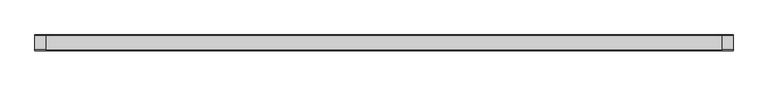
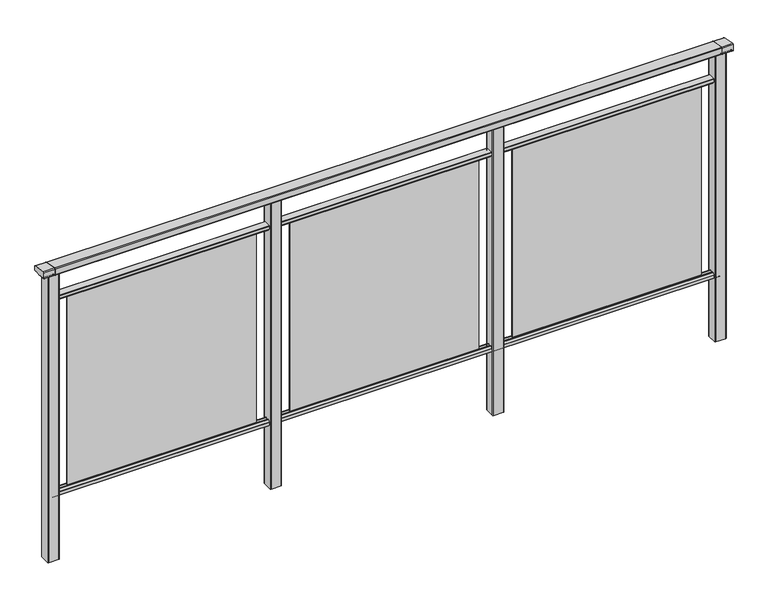
"""IFC4 building model written with IfcOpenShell, lengths in millimetres: railing geometry."""

from ifc_helpers import new_model, si_unit, point, frame, frame_2d, origin, place, context, project, spatial, polyline, circle_curve, trimmed, segment, composite_curve, outline, extrude, source, transform, mapped, element, save
from ifc_brep_helpers import plane_surface, cylinder_surface, advanced_brep


def railing_62a5ca87(model_context):
    return source(origin(), model_context, "Body", "SolidModel", [
        extrude(outline(composite_curve([segment(polyline([(8429.3630551, 1199.9544233), (8493.3630551, 1188.6694965)]), True, "CONTINUOUS"), segment(trimmed(circle_curve(frame_2d((8492.8421106, 1185.7150732)), 3.0), [point((8493.3630551, 1188.6694965))], [point((8495.8421106, 1185.7150732))], False, "CARTESIAN"), True, "CONTINUOUS"), segment(polyline([(8495.8421106, 1185.7150732), (8495.8421106, 1169.2)]), True, "CONTINUOUS"), segment(trimmed(circle_curve(frame_2d((8492.8421106, 1169.2)), 3.0), [point((8495.8421106, 1169.2))], [point((8492.8421106, 1166.2))], False, "CARTESIAN"), True, "CONTINUOUS"), segment(polyline([(8492.8421106, 1166.2), (8469.17694, 1166.2)]), True, "CONTINUOUS"), segment(trimmed(circle_curve(frame_2d((8460.8500931, 1183.2818957)), 19.003356), [point((8469.17694, 1166.2))], [point((8452.5232463, 1166.2))], False, "CARTESIAN"), True, "CONTINUOUS"), segment(polyline([(8452.5232463, 1166.2), (8428.8421106, 1166.2)]), True, "CONTINUOUS"), segment(trimmed(circle_curve(frame_2d((8428.8421106, 1169.2)), 3.0), [point((8428.8421106, 1166.2))], [point((8425.8421106, 1169.2))], False, "CARTESIAN"), True, "CONTINUOUS"), segment(polyline([(8425.8421106, 1169.2), (8425.8421106, 1197.0)]), True, "CONTINUOUS"), segment(trimmed(circle_curve(frame_2d((8428.8421106, 1197.0)), 3.0), [point((8425.8421106, 1197.0))], [point((8429.3630551, 1199.9544233))], False, "CARTESIAN"), True, "CONTINUOUS")], self_intersect=False)), frame((3671.3946925, 0.0, 0.0), z_axis=(1.0, 0.0, 0.0), x_axis=(0.0, 1.0, 0.0)), (0.0, 0.0, 1.0), 3000.0),
        extrude(outline(composite_curve([segment(polyline([(8476.5508136, 100.0), (8445.1507946, 100.0)]), True, "CONTINUOUS"), segment(trimmed(circle_curve(frame_2d((8445.1507946, 101.8)), 1.8), [point((8445.1507946, 100.0))], [point((8443.3507946, 101.8))], False, "CARTESIAN"), True, "CONTINUOUS"), segment(polyline([(8443.3507946, 101.8), (8443.3507946, 115.5269955)]), True, "CONTINUOUS"), segment(trimmed(circle_curve(frame_2d((8445.1507946, 115.5269955)), 1.8), [point((8443.3507946, 115.5269955))], [point((8443.7923399, 116.7079277))], False, "CARTESIAN"), True, "CONTINUOUS"), segment(polyline([(8443.7923399, 116.7079277), (8450.4626384, 124.3809322)]), True, "CONTINUOUS"), segment(trimmed(circle_curve(frame_2d((8451.8210931, 123.2)), 1.8), [point((8450.4626384, 124.3809322))], [point((8451.8210931, 125.0))], False, "CARTESIAN"), True, "CONTINUOUS"), segment(polyline([(8451.8210931, 125.0), (8455.5111113, 125.0), (8456.809143, 113.0), (8464.8924411, 113.0), (8466.1904978, 125.0), (8469.88054, 125.0)]), True, "CONTINUOUS"), segment(trimmed(circle_curve(frame_2d((8469.88054, 123.2)), 1.8), [point((8469.88054, 125.0))], [point((8471.2389969, 124.3809297))], False, "CARTESIAN"), True, "CONTINUOUS"), segment(polyline([(8471.2389969, 124.3809297), (8477.9092704, 116.7079252)]), True, "CONTINUOUS"), segment(trimmed(circle_curve(frame_2d((8476.5508136, 115.5269955)), 1.8), [point((8477.9092704, 116.7079252))], [point((8478.3508136, 115.5269955))], False, "CARTESIAN"), True, "CONTINUOUS"), segment(polyline([(8478.3508136, 115.5269955), (8478.3508136, 101.8)]), True, "CONTINUOUS"), segment(trimmed(circle_curve(frame_2d((8476.5508136, 101.8)), 1.8), [point((8478.3508136, 101.8))], [point((8476.5508136, 100.0))], False, "CARTESIAN"), True, "CONTINUOUS")], self_intersect=False)), frame((3671.3946925, 0.0, 0.0), z_axis=(1.0, 0.0, 0.0), x_axis=(0.0, 1.0, 0.0)), (0.0, 0.0, 1.0), 3000.0),
        extrude(outline(composite_curve([segment(polyline([(8445.1507946, 1050.0), (8476.5508136, 1050.0)]), True, "CONTINUOUS"), segment(trimmed(circle_curve(frame_2d((8476.5508136, 1048.2)), 1.8), [point((8476.5508136, 1050.0))], [point((8478.3508136, 1048.2))], False, "CARTESIAN"), True, "CONTINUOUS"), segment(polyline([(8478.3508136, 1048.2), (8478.3508136, 1034.4730045)]), True, "CONTINUOUS"), segment(trimmed(circle_curve(frame_2d((8476.5508136, 1034.4730045)), 1.8), [point((8478.3508136, 1034.4730045))], [point((8477.9092704, 1033.2920748))], False, "CARTESIAN"), True, "CONTINUOUS"), segment(polyline([(8477.9092704, 1033.2920748), (8471.2389969, 1025.6190703)]), True, "CONTINUOUS"), segment(trimmed(circle_curve(frame_2d((8469.88054, 1026.8)), 1.8), [point((8471.2389969, 1025.6190703))], [point((8469.88054, 1025.0))], False, "CARTESIAN"), True, "CONTINUOUS"), segment(polyline([(8469.88054, 1025.0), (8466.1904978, 1025.0), (8464.8924411, 1037.0), (8456.809143, 1037.0), (8455.5111113, 1025.0), (8451.8210931, 1025.0)]), True, "CONTINUOUS"), segment(trimmed(circle_curve(frame_2d((8451.8210931, 1026.8)), 1.8), [point((8451.8210931, 1025.0))], [point((8450.4626384, 1025.6190678))], False, "CARTESIAN"), True, "CONTINUOUS"), segment(polyline([(8450.4626384, 1025.6190678), (8443.7923399, 1033.2920723)]), True, "CONTINUOUS"), segment(trimmed(circle_curve(frame_2d((8445.1507946, 1034.4730045)), 1.8), [point((8443.7923399, 1033.2920723))], [point((8443.3507946, 1034.4730045))], False, "CARTESIAN"), True, "CONTINUOUS"), segment(polyline([(8443.3507946, 1034.4730045), (8443.3507946, 1048.2)]), True, "CONTINUOUS"), segment(trimmed(circle_curve(frame_2d((8445.1507946, 1048.2)), 1.8), [point((8443.3507946, 1048.2))], [point((8445.1507946, 1050.0))], False, "CARTESIAN"), True, "CONTINUOUS")], self_intersect=False)), frame((3671.3946925, 0.0, 0.0), z_axis=(1.0, 0.0, 0.0), x_axis=(0.0, 1.0, 0.0)), (0.0, 0.0, 1.0), 3000.0),
        extrude(outline(polyline([(5746.3946925, 8462.8508041), (6596.3946925, 8462.8508041), (6596.3946925, 8458.8508041), (5746.3946925, 8458.8508041), (5746.3946925, 8462.8508041)])), frame((0.0, 0.0, 125.0), z_axis=(0.0, 0.0, 1.0), x_axis=(1.0, 0.0, 0.0)), (0.0, 0.0, 1.0), 900.0),
        extrude(outline(composite_curve([segment(trimmed(circle_curve(frame_2d((5693.7947043, 8483.2508153)), 3.0), [point((5693.794704, 8486.2508153))], [point((5696.7947043, 8483.2508156))], False, "CARTESIAN"), True, "CONTINUOUS"), segment(polyline([(5696.7947043, 8483.2508156), (5696.7947083, 8438.4507926)]), True, "CONTINUOUS"), segment(trimmed(circle_curve(frame_2d((5693.7947083, 8438.4507923)), 3.0), [point((5696.7947083, 8438.4507926))], [point((5693.7947086, 8435.4507923))], False, "CARTESIAN"), True, "CONTINUOUS"), segment(polyline([(5693.7947086, 8435.4507923), (5648.9946856, 8435.4507883)]), True, "CONTINUOUS"), segment(trimmed(circle_curve(frame_2d((5648.9946853, 8438.4507883)), 3.0), [point((5648.9946856, 8435.4507883))], [point((5645.9946853, 8438.450788))], False, "CARTESIAN"), True, "CONTINUOUS"), segment(polyline([(5645.9946853, 8438.450788), (5645.9946813, 8483.250811)]), True, "CONTINUOUS"), segment(trimmed(circle_curve(frame_2d((5648.9946813, 8483.2508113)), 3.0), [point((5645.9946813, 8483.250811))], [point((5648.994681, 8486.2508113))], False, "CARTESIAN"), True, "CONTINUOUS"), segment(polyline([(5648.994681, 8486.2508113), (5693.794704, 8486.2508153)]), True, "CONTINUOUS")], self_intersect=False)), frame((0.0, 0.0, -198.0), z_axis=(0.0, 0.0, 1.0), x_axis=(1.0, 0.0, 0.0)), (0.0, 0.0, 1.0), 1362.2785397),
        extrude(outline(polyline([(4746.3946925, 8462.8508041), (5596.3946925, 8462.8508041), (5596.3946925, 8458.8508041), (4746.3946925, 8458.8508041), (4746.3946925, 8462.8508041)])), frame((0.0, 0.0, 125.0), z_axis=(0.0, 0.0, 1.0), x_axis=(1.0, 0.0, 0.0)), (0.0, 0.0, 1.0), 900.0),
        extrude(outline(composite_curve([segment(trimmed(circle_curve(frame_2d((4693.7947043, 8483.2508153)), 3.0), [point((4693.794704, 8486.2508153))], [point((4696.7947043, 8483.2508156))], False, "CARTESIAN"), True, "CONTINUOUS"), segment(polyline([(4696.7947043, 8483.2508156), (4696.7947083, 8438.4507926)]), True, "CONTINUOUS"), segment(trimmed(circle_curve(frame_2d((4693.7947083, 8438.4507923)), 3.0), [point((4696.7947083, 8438.4507926))], [point((4693.7947086, 8435.4507923))], False, "CARTESIAN"), True, "CONTINUOUS"), segment(polyline([(4693.7947086, 8435.4507923), (4648.9946856, 8435.4507883)]), True, "CONTINUOUS"), segment(trimmed(circle_curve(frame_2d((4648.9946853, 8438.4507883)), 3.0), [point((4648.9946856, 8435.4507883))], [point((4645.9946853, 8438.450788))], False, "CARTESIAN"), True, "CONTINUOUS"), segment(polyline([(4645.9946853, 8438.450788), (4645.9946813, 8483.250811)]), True, "CONTINUOUS"), segment(trimmed(circle_curve(frame_2d((4648.9946813, 8483.2508113)), 3.0), [point((4645.9946813, 8483.250811))], [point((4648.994681, 8486.2508113))], False, "CARTESIAN"), True, "CONTINUOUS"), segment(polyline([(4648.994681, 8486.2508113), (4693.794704, 8486.2508153)]), True, "CONTINUOUS")], self_intersect=False)), frame((0.0, 0.0, -198.0), z_axis=(0.0, 0.0, 1.0), x_axis=(1.0, 0.0, 0.0)), (0.0, 0.0, 1.0), 1362.2785397),
        extrude(outline(polyline([(3746.3946925, 8462.8508041), (4596.3946925, 8462.8508041), (4596.3946925, 8458.8508041), (3746.3946925, 8458.8508041), (3746.3946925, 8462.8508041)])), frame((0.0, 0.0, 125.0), z_axis=(0.0, 0.0, 1.0), x_axis=(1.0, 0.0, 0.0)), (0.0, 0.0, 1.0), 900.0),
        extrude(outline(composite_curve([segment(trimmed(circle_curve(frame_2d((6693.7947043, 8483.2508153)), 3.0), [point((6693.794704, 8486.2508153))], [point((6696.7947043, 8483.2508156))], False, "CARTESIAN"), True, "CONTINUOUS"), segment(polyline([(6696.7947043, 8483.2508156), (6696.7947083, 8438.4507926)]), True, "CONTINUOUS"), segment(trimmed(circle_curve(frame_2d((6693.7947083, 8438.4507923)), 3.0), [point((6696.7947083, 8438.4507926))], [point((6693.7947086, 8435.4507923))], False, "CARTESIAN"), True, "CONTINUOUS"), segment(polyline([(6693.7947086, 8435.4507923), (6648.9946856, 8435.4507883)]), True, "CONTINUOUS"), segment(trimmed(circle_curve(frame_2d((6648.9946853, 8438.4507883)), 3.0), [point((6648.9946856, 8435.4507883))], [point((6645.9946853, 8438.450788))], False, "CARTESIAN"), True, "CONTINUOUS"), segment(polyline([(6645.9946853, 8438.450788), (6645.9946813, 8483.250811)]), True, "CONTINUOUS"), segment(trimmed(circle_curve(frame_2d((6648.9946813, 8483.2508113)), 3.0), [point((6645.9946813, 8483.250811))], [point((6648.994681, 8486.2508113))], False, "CARTESIAN"), True, "CONTINUOUS"), segment(polyline([(6648.994681, 8486.2508113), (6693.794704, 8486.2508153)]), True, "CONTINUOUS")], self_intersect=False)), frame((0.0, 0.0, -198.0), z_axis=(0.0, 0.0, 1.0), x_axis=(1.0, 0.0, 0.0)), (0.0, 0.0, 1.0), 1362.2785397),
        advanced_brep(
        [(6721.3946838, 8429.3630551, 1199.9544233), (6721.3946838, 8425.8421106, 1197.0), (6721.3946838, 8425.8421106, 1169.2), (6721.3946838, 8428.8421106, 1166.2), (6721.3946838, 8433.6920245, 1166.2), (6721.3946838, 8434.5830297, 1166.9730759), (6721.3946838, 8435.1561053, 1166.4000003), (6721.3946838, 8453.2660875, 1166.4000003), (6721.3946838, 8453.8619702, 1165.6106384), (6721.3946838, 8467.8416451, 1165.6114192), (6721.3946838, 8468.4355206, 1166.4000003), (6721.3946838, 8486.5960229, 1166.4000003), (6721.3946838, 8487.0960229, 1166.9000033), (6721.3946838, 8488.0249587, 1166.2), (6721.3946838, 8492.8421106, 1166.2), (6721.3946838, 8495.8421106, 1169.2), (6721.3946838, 8495.8421106, 1185.7150732), (6721.3946838, 8493.3630551, 1188.6694965), (6671.3946838, 8429.3630551, 1199.9544233), (6671.3946838, 8493.3630551, 1188.6694965), (6671.3946838, 8495.8421106, 1185.7150732), (6671.3946838, 8495.8421106, 1169.2), (6671.3946838, 8492.8421106, 1166.2), (6671.3946838, 8488.0249587, 1166.2), (6671.3946838, 8487.0960229, 1166.9000033), (6671.3946838, 8486.5960229, 1166.4000003), (6671.3946838, 8468.4355206, 1166.4000003), (6671.3946838, 8467.8416397, 1165.6114328), (6671.3946838, 8453.8585412, 1165.6114192), (6671.3946838, 8453.2660875, 1166.4000003), (6671.3946838, 8435.1561053, 1166.4000003), (6671.3946838, 8434.5830297, 1166.9730759), (6671.3946838, 8433.6920245, 1166.2), (6671.3946838, 8428.8421106, 1166.2), (6671.3946838, 8425.8421106, 1169.2), (6671.3946838, 8425.8421106, 1197.0)],
        [
            (0, 1, circle_curve(frame((6721.3946838, 8428.8421106, 1197.0), z_axis=(1.0, 0.0, 0.0), x_axis=(0.0, 0.17364817766704857, 0.9848077530121873)), 3.0)),
            (1, 2),
            (2, 3, circle_curve(frame((6721.3946838, 8428.8421106, 1169.2), z_axis=(1.0, 0.0, 0.0), x_axis=(0.0, -1.0, 0.0)), 3.0)),
            (3, 4),
            (4, 5, circle_curve(frame((6721.3946838, 8433.6920245, 1167.1), z_axis=(1.0, 0.0, 0.0), x_axis=(0.0, 0.0, -1.0)), 0.9)),
            (5, 6, circle_curve(frame((6721.3946838, 8435.1561053, 1166.9730759), z_axis=(1.0, 0.0, 0.0), x_axis=(0.0, -1.0, 0.0)), 0.5730756)),
            (6, 7),
            (7, 8, circle_curve(frame((6721.3946838, 8454.2114065, 1166.4940192), z_axis=(1.0, 0.0, 0.0), x_axis=(0.0, -1.0, 0.0)), 0.9499829)),
            (8, 9, circle_curve(frame((6721.3946838, 8460.8500931, 1183.2818957), z_axis=(1.0, 0.0, 0.0), x_axis=(0.0, -1.0, 0.0)), 19.003356)),
            (9, 10, circle_curve(frame((6721.3946838, 8467.4902016, 1166.4940192), z_axis=(1.0, 0.0, 0.0), x_axis=(0.0, 1.0, 0.0)), 0.9499829)),
            (10, 11),
            (11, 12, circle_curve(frame((6721.3946838, 8486.5960229, 1166.9000003), z_axis=(1.0, 0.0, 0.0), x_axis=(0.0, 0.0, -1.0)), 0.5)),
            (12, 13, circle_curve(frame((6721.3946838, 8488.0072204, 1167.1428319), z_axis=(1.0, 0.0, 0.0), x_axis=(0.0, -1.0, 0.0)), 0.9429987)),
            (13, 14),
            (14, 15, circle_curve(frame((6721.3946838, 8492.8421106, 1169.2), z_axis=(1.0, 0.0, 0.0), x_axis=(0.0, 0.0, -1.0)), 3.0)),
            (15, 16),
            (16, 17, circle_curve(frame((6721.3946838, 8492.8421106, 1185.7150732), z_axis=(1.0, 0.0, 0.0), x_axis=(0.0, 1.0, 0.0)), 3.0)),
            (17, 0),
            (18, 19),
            (19, 20, circle_curve(frame((6671.3946838, 8492.8421106, 1185.7150732), z_axis=(-1.0, 0.0, 0.0), x_axis=(0.0, 1.0, 0.0)), 3.0)),
            (20, 21),
            (21, 22, circle_curve(frame((6671.3946838, 8492.8421106, 1169.2), z_axis=(-1.0, 0.0, 0.0), x_axis=(0.0, 0.0, -1.0)), 3.0)),
            (22, 23),
            (23, 24, circle_curve(frame((6671.3946838, 8488.0072204, 1167.1428319), z_axis=(-1.0, 0.0, 0.0), x_axis=(0.0, -1.0, 0.0)), 0.9429987)),
            (24, 25, circle_curve(frame((6671.3946838, 8486.5960229, 1166.9000003), z_axis=(-1.0, 0.0, 0.0), x_axis=(0.0, 0.0, -1.0)), 0.5)),
            (25, 26),
            (26, 27, circle_curve(frame((6671.3946838, 8467.4902016, 1166.4940192), z_axis=(-1.0, 0.0, 0.0), x_axis=(0.0, 1.0, 0.0)), 0.9499829)),
            (27, 28, circle_curve(frame((6671.3946838, 8460.8500931, 1183.2818957), z_axis=(-1.0, 0.0, 0.0), x_axis=(0.0, -1.0, 0.0)), 19.003356)),
            (28, 29, circle_curve(frame((6671.3946838, 8454.2114065, 1166.4940192), z_axis=(-1.0, 0.0, 0.0), x_axis=(0.0, -1.0, 0.0)), 0.9499829)),
            (29, 30),
            (30, 31, circle_curve(frame((6671.3946838, 8435.1561053, 1166.9730759), z_axis=(-1.0, 0.0, 0.0), x_axis=(0.0, -1.0, 0.0)), 0.5730756)),
            (31, 32, circle_curve(frame((6671.3946838, 8433.6920245, 1167.1), z_axis=(-1.0, 0.0, 0.0), x_axis=(0.0, 0.0, -1.0)), 0.9)),
            (32, 33),
            (33, 34, circle_curve(frame((6671.3946838, 8428.8421106, 1169.2), z_axis=(-1.0, 0.0, 0.0), x_axis=(0.0, -1.0, 0.0)), 3.0)),
            (34, 35),
            (35, 18, circle_curve(frame((6671.3946838, 8428.8421106, 1197.0), z_axis=(-1.0, 0.0, 0.0), x_axis=(0.0, 0.17364817766704857, 0.9848077530121873)), 3.0)),
            (0, 18),
            (35, 1),
            (34, 2),
            (33, 3),
            (32, 4),
            (31, 5),
            (30, 6),
            (29, 7),
            (28, 8),
            (27, 9),
            (26, 10),
            (25, 11),
            (24, 12),
            (23, 13),
            (22, 14),
            (21, 15),
            (20, 16),
            (19, 17),
        ],
        [
            plane_surface(frame((6721.3946838, 8460.8508041, 1200.0), z_axis=(1.0, 0.0, 0.0), x_axis=(0.0, 1.0, 0.0))),
            plane_surface(frame((6671.3946838, 8460.8508041, 1200.0), z_axis=(-1.0, 0.0, 0.0), x_axis=(0.0, 1.0, 0.0))),
            cylinder_surface(frame((6721.3946838, 8428.8421106, 1197.0), z_axis=(1.0, 0.0, 0.0), x_axis=(0.0, 0.17364817766704857, 0.9848077530121873)), 3.0),
            plane_surface(frame((6721.3946838, 8425.8421106, 1197.0), z_axis=(0.0, -1.0, 0.0), x_axis=(-1.0, 0.0, 0.0))),
            cylinder_surface(frame((6721.3946838, 8428.8421106, 1169.2), z_axis=(1.0, 0.0, 0.0), x_axis=(0.0, -1.0, 0.0)), 3.0),
            plane_surface(frame((6721.3946838, 8428.8421106, 1166.2), z_axis=(0.0, 0.0, -1.0), x_axis=(-1.0, 0.0, 0.0))),
            cylinder_surface(frame((6721.3946838, 8433.6920245, 1167.1), z_axis=(1.0, 0.0, 0.0), x_axis=(0.0, 0.0, -1.0)), 0.9),
            cylinder_surface(frame((6721.3946838, 8435.1561053, 1166.9730759), z_axis=(1.0, 0.0, 0.0), x_axis=(0.0, -1.0, 0.0)), 0.5730756),
            plane_surface(frame((6721.3946838, 8435.1561053, 1166.4000003), z_axis=(0.0, 0.0, -1.0), x_axis=(-1.0, 0.0, 0.0))),
            cylinder_surface(frame((6721.3946838, 8454.2114065, 1166.4940192), z_axis=(1.0, 0.0, 0.0), x_axis=(0.0, -1.0, 0.0)), 0.9499829),
            cylinder_surface(frame((6721.3946838, 8460.8500931, 1183.2818957), z_axis=(1.0, 0.0, 0.0), x_axis=(0.0, -1.0, 0.0)), 19.003356),
            cylinder_surface(frame((6721.3946838, 8467.4902016, 1166.4940192), z_axis=(1.0, 0.0, 0.0), x_axis=(0.0, 1.0, 0.0)), 0.9499829),
            plane_surface(frame((6721.3946838, 8468.4355206, 1166.4000003), z_axis=(0.0, 0.0, -1.0), x_axis=(-1.0, 0.0, 0.0))),
            cylinder_surface(frame((6721.3946838, 8486.5960229, 1166.9000003), z_axis=(1.0, 0.0, 0.0), x_axis=(0.0, 0.0, -1.0)), 0.5),
            cylinder_surface(frame((6721.3946838, 8488.0072204, 1167.1428319), z_axis=(1.0, 0.0, 0.0), x_axis=(0.0, -1.0, 0.0)), 0.9429987),
            plane_surface(frame((6721.3946838, 8488.0249587, 1166.2), z_axis=(0.0, 0.0, -1.0), x_axis=(-1.0, 0.0, 0.0))),
            cylinder_surface(frame((6721.3946838, 8492.8421106, 1169.2), z_axis=(1.0, 0.0, 0.0), x_axis=(0.0, 0.0, -1.0)), 3.0),
            plane_surface(frame((6721.3946838, 8495.8421106, 1169.2), z_axis=(0.0, 1.0, 0.0), x_axis=(-1.0, 0.0, 0.0))),
            cylinder_surface(frame((6721.3946838, 8492.8421106, 1185.7150732), z_axis=(1.0, 0.0, 0.0), x_axis=(0.0, 1.0, 0.0)), 3.0),
            plane_surface(frame((6721.3946838, 8493.3630551, 1188.6694965), z_axis=(0.0, 0.1736481776669561, 0.9848077530122036), x_axis=(-1.0, 0.0, 0.0))),
        ],
        [
            (0, [[1, 2, 3, 4, 5, 6, 7, 8, 9, 10, 11, 12, 13, 14, 15, 16, 17, 18]]),
            (1, [[19, 20, 21, 22, 23, 24, 25, 26, 27, 28, 29, 30, 31, 32, 33, 34, 35, 36]]),
            (2, [[-1, 37, -36, 38]]),
            (3, [[-2, -38, -35, 39]]),
            (4, [[-3, -39, -34, 40]]),
            (5, [[-4, -40, -33, 41]]),
            (6, [[-5, -41, -32, 42]]),
            (7, [[-6, -42, -31, 43]]),
            (8, [[-7, -43, -30, 44]]),
            (9, [[-8, -44, -29, 45]]),
            (10, [[-9, -45, -28, 46]]),
            (11, [[-10, -46, -27, 47]]),
            (12, [[-11, -47, -26, 48]]),
            (13, [[-12, -48, -25, 49]]),
            (14, [[-13, -49, -24, 50]]),
            (15, [[-14, -50, -23, 51]]),
            (16, [[-15, -51, -22, 52]]),
            (17, [[-16, -52, -21, 53]]),
            (18, [[-17, -53, -20, 54]]),
            (19, [[-18, -54, -19, -37]]),
        ],
    ),
        extrude(outline(composite_curve([segment(trimmed(circle_curve(frame_2d((3693.7947043, 8483.2508153)), 3.0), [point((3693.794704, 8486.2508153))], [point((3696.7947043, 8483.2508156))], False, "CARTESIAN"), True, "CONTINUOUS"), segment(polyline([(3696.7947043, 8483.2508156), (3696.7947083, 8438.4507926)]), True, "CONTINUOUS"), segment(trimmed(circle_curve(frame_2d((3693.7947083, 8438.4507923)), 3.0), [point((3696.7947083, 8438.4507926))], [point((3693.7947086, 8435.4507923))], False, "CARTESIAN"), True, "CONTINUOUS"), segment(polyline([(3693.7947086, 8435.4507923), (3648.9946856, 8435.4507883)]), True, "CONTINUOUS"), segment(trimmed(circle_curve(frame_2d((3648.9946853, 8438.4507883)), 3.0), [point((3648.9946856, 8435.4507883))], [point((3645.9946853, 8438.450788))], False, "CARTESIAN"), True, "CONTINUOUS"), segment(polyline([(3645.9946853, 8438.450788), (3645.9946813, 8483.250811)]), True, "CONTINUOUS"), segment(trimmed(circle_curve(frame_2d((3648.9946813, 8483.2508113)), 3.0), [point((3645.9946813, 8483.250811))], [point((3648.994681, 8486.2508113))], False, "CARTESIAN"), True, "CONTINUOUS"), segment(polyline([(3648.994681, 8486.2508113), (3693.794704, 8486.2508153)]), True, "CONTINUOUS")], self_intersect=False)), frame((0.0, 0.0, -198.0), z_axis=(0.0, 0.0, 1.0), x_axis=(1.0, 0.0, 0.0)), (0.0, 0.0, 1.0), 1362.2785397),
        advanced_brep(
        [(3671.3946838, 8429.3630551, 1199.9544233), (3671.3946838, 8425.8421106, 1197.0), (3671.3946838, 8425.8421106, 1169.2), (3671.3946838, 8428.8421106, 1166.2), (3671.3946838, 8433.6920245, 1166.2), (3671.3946838, 8434.5830297, 1166.9730759), (3671.3946838, 8435.1561053, 1166.4000003), (3671.3946838, 8453.2660875, 1166.4000003), (3671.3946838, 8453.8619702, 1165.6106384), (3671.3946838, 8467.8416451, 1165.6114192), (3671.3946838, 8468.4355206, 1166.4000003), (3671.3946838, 8486.5960229, 1166.4000003), (3671.3946838, 8487.0960229, 1166.9000033), (3671.3946838, 8488.0249587, 1166.2), (3671.3946838, 8492.8421106, 1166.2), (3671.3946838, 8495.8421106, 1169.2), (3671.3946838, 8495.8421106, 1185.7150732), (3671.3946838, 8493.3630551, 1188.6694965), (3621.3946838, 8429.3630551, 1199.9544233), (3621.3946838, 8493.3630551, 1188.6694965), (3621.3946838, 8495.8421106, 1185.7150732), (3621.3946838, 8495.8421106, 1169.2), (3621.3946838, 8492.8421106, 1166.2), (3621.3946838, 8488.0249587, 1166.2), (3621.3946838, 8487.0960229, 1166.9000033), (3621.3946838, 8486.5960229, 1166.4000003), (3621.3946838, 8468.4355206, 1166.4000003), (3621.3946838, 8467.8416397, 1165.6114328), (3621.3946838, 8453.8585412, 1165.6114192), (3621.3946838, 8453.2660875, 1166.4000003), (3621.3946838, 8435.1561053, 1166.4000003), (3621.3946838, 8434.5830297, 1166.9730759), (3621.3946838, 8433.6920245, 1166.2), (3621.3946838, 8428.8421106, 1166.2), (3621.3946838, 8425.8421106, 1169.2), (3621.3946838, 8425.8421106, 1197.0)],
        [
            (0, 1, circle_curve(frame((3671.3946838, 8428.8421106, 1197.0), z_axis=(1.0, 0.0, 0.0), x_axis=(0.0, 0.17364817766704857, 0.9848077530121873)), 3.0)),
            (1, 2),
            (2, 3, circle_curve(frame((3671.3946838, 8428.8421106, 1169.2), z_axis=(1.0, 0.0, 0.0), x_axis=(0.0, -1.0, 0.0)), 3.0)),
            (3, 4),
            (4, 5, circle_curve(frame((3671.3946838, 8433.6920245, 1167.1), z_axis=(1.0, 0.0, 0.0), x_axis=(0.0, 0.0, -1.0)), 0.9)),
            (5, 6, circle_curve(frame((3671.3946838, 8435.1561053, 1166.9730759), z_axis=(1.0, 0.0, 0.0), x_axis=(0.0, -1.0, 0.0)), 0.5730756)),
            (6, 7),
            (7, 8, circle_curve(frame((3671.3946838, 8454.2114065, 1166.4940192), z_axis=(1.0, 0.0, 0.0), x_axis=(0.0, -1.0, 0.0)), 0.9499829)),
            (8, 9, circle_curve(frame((3671.3946838, 8460.8500931, 1183.2818957), z_axis=(1.0, 0.0, 0.0), x_axis=(0.0, -1.0, 0.0)), 19.003356)),
            (9, 10, circle_curve(frame((3671.3946838, 8467.4902016, 1166.4940192), z_axis=(1.0, 0.0, 0.0), x_axis=(0.0, 1.0, 0.0)), 0.9499829)),
            (10, 11),
            (11, 12, circle_curve(frame((3671.3946838, 8486.5960229, 1166.9000003), z_axis=(1.0, 0.0, 0.0), x_axis=(0.0, 0.0, -1.0)), 0.5)),
            (12, 13, circle_curve(frame((3671.3946838, 8488.0072204, 1167.1428319), z_axis=(1.0, 0.0, 0.0), x_axis=(0.0, -1.0, 0.0)), 0.9429987)),
            (13, 14),
            (14, 15, circle_curve(frame((3671.3946838, 8492.8421106, 1169.2), z_axis=(1.0, 0.0, 0.0), x_axis=(0.0, 0.0, -1.0)), 3.0)),
            (15, 16),
            (16, 17, circle_curve(frame((3671.3946838, 8492.8421106, 1185.7150732), z_axis=(1.0, 0.0, 0.0), x_axis=(0.0, 1.0, 0.0)), 3.0)),
            (17, 0),
            (18, 19),
            (19, 20, circle_curve(frame((3621.3946838, 8492.8421106, 1185.7150732), z_axis=(-1.0, 0.0, 0.0), x_axis=(0.0, 1.0, 0.0)), 3.0)),
            (20, 21),
            (21, 22, circle_curve(frame((3621.3946838, 8492.8421106, 1169.2), z_axis=(-1.0, 0.0, 0.0), x_axis=(0.0, 0.0, -1.0)), 3.0)),
            (22, 23),
            (23, 24, circle_curve(frame((3621.3946838, 8488.0072204, 1167.1428319), z_axis=(-1.0, 0.0, 0.0), x_axis=(0.0, -1.0, 0.0)), 0.9429987)),
            (24, 25, circle_curve(frame((3621.3946838, 8486.5960229, 1166.9000003), z_axis=(-1.0, 0.0, 0.0), x_axis=(0.0, 0.0, -1.0)), 0.5)),
            (25, 26),
            (26, 27, circle_curve(frame((3621.3946838, 8467.4902016, 1166.4940192), z_axis=(-1.0, 0.0, 0.0), x_axis=(0.0, 1.0, 0.0)), 0.9499829)),
            (27, 28, circle_curve(frame((3621.3946838, 8460.8500931, 1183.2818957), z_axis=(-1.0, 0.0, 0.0), x_axis=(0.0, -1.0, 0.0)), 19.003356)),
            (28, 29, circle_curve(frame((3621.3946838, 8454.2114065, 1166.4940192), z_axis=(-1.0, 0.0, 0.0), x_axis=(0.0, -1.0, 0.0)), 0.9499829)),
            (29, 30),
            (30, 31, circle_curve(frame((3621.3946838, 8435.1561053, 1166.9730759), z_axis=(-1.0, 0.0, 0.0), x_axis=(0.0, -1.0, 0.0)), 0.5730756)),
            (31, 32, circle_curve(frame((3621.3946838, 8433.6920245, 1167.1), z_axis=(-1.0, 0.0, 0.0), x_axis=(0.0, 0.0, -1.0)), 0.9)),
            (32, 33),
            (33, 34, circle_curve(frame((3621.3946838, 8428.8421106, 1169.2), z_axis=(-1.0, 0.0, 0.0), x_axis=(0.0, -1.0, 0.0)), 3.0)),
            (34, 35),
            (35, 18, circle_curve(frame((3621.3946838, 8428.8421106, 1197.0), z_axis=(-1.0, 0.0, 0.0), x_axis=(0.0, 0.17364817766704857, 0.9848077530121873)), 3.0)),
            (0, 18),
            (35, 1),
            (34, 2),
            (33, 3),
            (32, 4),
            (31, 5),
            (30, 6),
            (29, 7),
            (28, 8),
            (27, 9),
            (26, 10),
            (25, 11),
            (24, 12),
            (23, 13),
            (22, 14),
            (21, 15),
            (20, 16),
            (19, 17),
        ],
        [
            plane_surface(frame((3671.3946838, 8460.8508041, 1200.0), z_axis=(1.0, 0.0, 0.0), x_axis=(0.0, 1.0, 0.0))),
            plane_surface(frame((3621.3946838, 8460.8508041, 1200.0), z_axis=(-1.0, 0.0, 0.0), x_axis=(0.0, 1.0, 0.0))),
            cylinder_surface(frame((3671.3946838, 8428.8421106, 1197.0), z_axis=(1.0, 0.0, 0.0), x_axis=(0.0, 0.17364817766704857, 0.9848077530121873)), 3.0),
            plane_surface(frame((3671.3946838, 8425.8421106, 1197.0), z_axis=(0.0, -1.0, 0.0), x_axis=(-1.0, 0.0, 0.0))),
            cylinder_surface(frame((3671.3946838, 8428.8421106, 1169.2), z_axis=(1.0, 0.0, 0.0), x_axis=(0.0, -1.0, 0.0)), 3.0),
            plane_surface(frame((3671.3946838, 8428.8421106, 1166.2), z_axis=(0.0, 0.0, -1.0), x_axis=(-1.0, 0.0, 0.0))),
            cylinder_surface(frame((3671.3946838, 8433.6920245, 1167.1), z_axis=(1.0, 0.0, 0.0), x_axis=(0.0, 0.0, -1.0)), 0.9),
            cylinder_surface(frame((3671.3946838, 8435.1561053, 1166.9730759), z_axis=(1.0, 0.0, 0.0), x_axis=(0.0, -1.0, 0.0)), 0.5730756),
            plane_surface(frame((3671.3946838, 8435.1561053, 1166.4000003), z_axis=(0.0, 0.0, -1.0), x_axis=(-1.0, 0.0, 0.0))),
            cylinder_surface(frame((3671.3946838, 8454.2114065, 1166.4940192), z_axis=(1.0, 0.0, 0.0), x_axis=(0.0, -1.0, 0.0)), 0.9499829),
            cylinder_surface(frame((3671.3946838, 8460.8500931, 1183.2818957), z_axis=(1.0, 0.0, 0.0), x_axis=(0.0, -1.0, 0.0)), 19.003356),
            cylinder_surface(frame((3671.3946838, 8467.4902016, 1166.4940192), z_axis=(1.0, 0.0, 0.0), x_axis=(0.0, 1.0, 0.0)), 0.9499829),
            plane_surface(frame((3671.3946838, 8468.4355206, 1166.4000003), z_axis=(0.0, 0.0, -1.0), x_axis=(-1.0, 0.0, 0.0))),
            cylinder_surface(frame((3671.3946838, 8486.5960229, 1166.9000003), z_axis=(1.0, 0.0, 0.0), x_axis=(0.0, 0.0, -1.0)), 0.5),
            cylinder_surface(frame((3671.3946838, 8488.0072204, 1167.1428319), z_axis=(1.0, 0.0, 0.0), x_axis=(0.0, -1.0, 0.0)), 0.9429987),
            plane_surface(frame((3671.3946838, 8488.0249587, 1166.2), z_axis=(0.0, 0.0, -1.0), x_axis=(-1.0, 0.0, 0.0))),
            cylinder_surface(frame((3671.3946838, 8492.8421106, 1169.2), z_axis=(1.0, 0.0, 0.0), x_axis=(0.0, 0.0, -1.0)), 3.0),
            plane_surface(frame((3671.3946838, 8495.8421106, 1169.2), z_axis=(0.0, 1.0, 0.0), x_axis=(-1.0, 0.0, 0.0))),
            cylinder_surface(frame((3671.3946838, 8492.8421106, 1185.7150732), z_axis=(1.0, 0.0, 0.0), x_axis=(0.0, 1.0, 0.0)), 3.0),
            plane_surface(frame((3671.3946838, 8493.3630551, 1188.6694965), z_axis=(0.0, 0.1736481776669561, 0.9848077530122036), x_axis=(-1.0, 0.0, 0.0))),
        ],
        [
            (0, [[1, 2, 3, 4, 5, 6, 7, 8, 9, 10, 11, 12, 13, 14, 15, 16, 17, 18]]),
            (1, [[19, 20, 21, 22, 23, 24, 25, 26, 27, 28, 29, 30, 31, 32, 33, 34, 35, 36]]),
            (2, [[-1, 37, -36, 38]]),
            (3, [[-2, -38, -35, 39]]),
            (4, [[-3, -39, -34, 40]]),
            (5, [[-4, -40, -33, 41]]),
            (6, [[-5, -41, -32, 42]]),
            (7, [[-6, -42, -31, 43]]),
            (8, [[-7, -43, -30, 44]]),
            (9, [[-8, -44, -29, 45]]),
            (10, [[-9, -45, -28, 46]]),
            (11, [[-10, -46, -27, 47]]),
            (12, [[-11, -47, -26, 48]]),
            (13, [[-12, -48, -25, 49]]),
            (14, [[-13, -49, -24, 50]]),
            (15, [[-14, -50, -23, 51]]),
            (16, [[-15, -51, -22, 52]]),
            (17, [[-16, -52, -21, 53]]),
            (18, [[-17, -53, -20, 54]]),
            (19, [[-18, -54, -19, -37]]),
        ],
    ),
    ])


if __name__ == "__main__":
    model = new_model("IFC4")
    model_context = context("Model", 3, world=origin())
    ifc_project = project(units=[si_unit("LENGTHUNIT", "METRE", prefix="MILLI")], contexts=[model_context])
    site = spatial("IfcSite", under=ifc_project)
    building = spatial("IfcBuilding", under=site)
    placement = place(None, origin())
    railing_shape = railing_62a5ca87(model_context)
    element("IfcRailing", 1, at=placement, inside=building, context=model_context, shape_type="MappedRepresentation", body=[
        mapped(railing_shape, transform((0.0, 0.0, 0.0), x_axis=(1.0, 0.0, 0.0), y_axis=(0.0, 1.0, 0.0), z_axis=(0.0, 0.0, 1.0))),
    ])
    save(model, "model.ifc")
